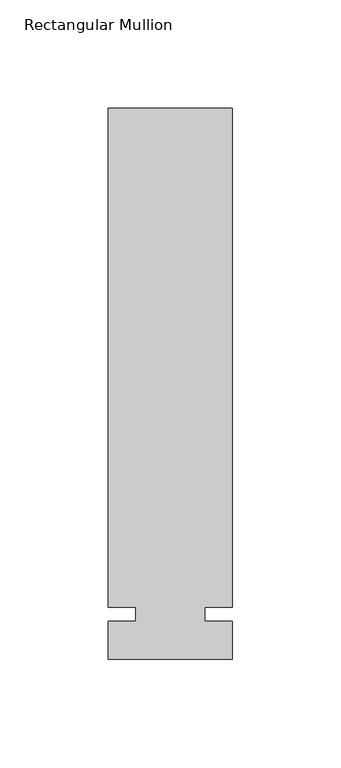
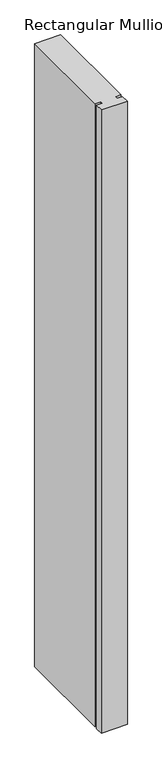
"""IFC4 building model written with IfcOpenShell, lengths in millimetres: member geometry, Rectangular Mullion."""

import ifcopenshell
import ifcopenshell.guid

model = None  # the IFC model being written
_history = None  # IfcOwnerHistory: only IFC2X3 demands one
_inside = {}  # id of a spatial element -> (the spatial element, [elements in it])
_under = {}  # id of a project, library or spatial element -> (it, [spatial elements below it])
_declared = {}  # id of a project -> (the project, [libraries it declares])
_typed = {}  # id of a type object -> (the type object, [elements of that type])
_made_of = {}  # id of a material, layer set ... -> (it, [elements and type objects made of it])


def new_model(schema):
    """Start an empty IFC model of exactly this schema.

    Asked for "IFC4X3", IfcOpenShell would pick the latest addendum, in which some entities
    have other attributes; the version numbers below select the first issue.
    IFC2X3 requires an IfcOwnerHistory on every rooted entity: one is made here for all.
    """
    global model, _history
    if schema == "IFC4X3":
        model = ifcopenshell.file(schema_version=(4, 3, 0, 0))
    else:
        model = ifcopenshell.file(schema=schema)
    _inside.clear()
    _under.clear()
    _declared.clear()
    _typed.clear()
    _made_of.clear()
    _history = None
    if model.schema == "IFC2X3":
        org = make("IfcOrganization", Name="unknown")
        user = make(
            "IfcPersonAndOrganization",
            ThePerson=make("IfcPerson", FamilyName="unknown"),
            TheOrganization=org,
        )
        app = make(
            "IfcApplication",
            ApplicationDeveloper=org,
            Version="unknown",
            ApplicationFullName="unknown",
            ApplicationIdentifier="unknown",
        )
        _history = make(
            "IfcOwnerHistory",
            OwningUser=user,
            OwningApplication=app,
            ChangeAction="ADDED",
            CreationDate=0,
        )
    return model


def make(cls, **values):
    """One entity of the class cls with the attributes given. An attribute that is None is left unset."""
    return model.create_entity(
        cls, **{name: value for name, value in values.items() if value is not None}
    )


def rooted(cls, **values):
    """An entity with a GlobalId (a new one), such as an element, a storey or a relation."""
    return make(cls, GlobalId=ifcopenshell.guid.new(), OwnerHistory=_history, **values)


def si_unit(unit_type, name, prefix=None):
    """IfcSIUnit, for example si_unit("LENGTHUNIT", "METRE", prefix="MILLI")."""
    return make("IfcSIUnit", UnitType=unit_type, Prefix=prefix, Name=name)


def assignment(units):
    """IfcUnitAssignment: the units of a project."""
    return None if units is None else make("IfcUnitAssignment", Units=units)


def point(xyz):
    """IfcCartesianPoint."""
    return None if xyz is None else make("IfcCartesianPoint", Coordinates=xyz)


def direction(xyz):
    """IfcDirection."""
    return None if xyz is None else make("IfcDirection", DirectionRatios=xyz)


def frame(location, z_axis=None, x_axis=None):
    """IfcAxis2Placement3D, a coordinate frame: its origin and axes. An axis left out is left unset."""
    return make(
        "IfcAxis2Placement3D",
        Location=point(location),
        Axis=direction(z_axis),
        RefDirection=direction(x_axis),
    )


def origin():
    """The frame at (0, 0, 0) with its axes left unset."""
    return frame((0.0, 0.0, 0.0))


def place(relative_to, where):
    """IfcLocalPlacement: puts the frame where relative to a parent placement (None: the world)."""
    return make(
        "IfcLocalPlacement", PlacementRelTo=relative_to, RelativePlacement=where
    )


def context(
    kind, dimensions, precision=None, world=None, true_north=None, identifier=None
):
    """IfcGeometricRepresentationContext, for example the 3D "Model" context."""
    return make(
        "IfcGeometricRepresentationContext",
        ContextIdentifier=identifier,
        ContextType=kind,
        CoordinateSpaceDimension=dimensions,
        Precision=precision,
        WorldCoordinateSystem=world,
        TrueNorth=true_north,
    )


def project(units=None, contexts=None):
    """IfcProject with its units and contexts."""
    return rooted(
        "IfcProject",
        Name="project",
        RepresentationContexts=contexts,
        UnitsInContext=assignment(units),
    )


def spatial(cls, under=None, at=None, **own):
    """A site, building, storey or space (cls), placed at a placement, below another one or the project."""
    s = rooted(cls, ObjectPlacement=at, **own)
    if under is not None:
        _under.setdefault(under.id(), (under, []))[1].append(s)
    return s


def polyline(points):
    """IfcPolyline through the points."""
    return make("IfcPolyline", Points=[point(p) for p in points])


def outline(outer, holes=None, kind="AREA"):
    """IfcArbitraryClosedProfileDef: a profile drawn as a closed curve; with holes, ...WithVoids."""
    if holes is None:
        return make("IfcArbitraryClosedProfileDef", ProfileType=kind, OuterCurve=outer)
    return make(
        "IfcArbitraryProfileDefWithVoids",
        ProfileType=kind,
        OuterCurve=outer,
        InnerCurves=holes,
    )


def extrude(swept, where, along, depth):
    """IfcExtrudedAreaSolid: the profile swept, set in the frame where, extruded along a direction by depth."""
    return make(
        "IfcExtrudedAreaSolid",
        SweptArea=swept,
        Position=where,
        ExtrudedDirection=direction(along),
        Depth=depth,
    )


def shape(context_of_items, identifier, shape_type, items):
    """IfcShapeRepresentation: the items that make up one representation, for example the "Body"."""
    return make(
        "IfcShapeRepresentation",
        ContextOfItems=context_of_items,
        RepresentationIdentifier=identifier,
        RepresentationType=shape_type,
        Items=items,
    )


def source(mapping_origin, context_of_items, identifier, shape_type, items):
    """IfcRepresentationMap: a shape defined once, which mapped items show again and again."""
    return make(
        "IfcRepresentationMap",
        MappingOrigin=mapping_origin,
        MappedRepresentation=shape(context_of_items, identifier, shape_type, items),
    )


def transform(
    local_origin,
    x_axis=None,
    y_axis=None,
    z_axis=None,
    scale=None,
    scale2=None,
    scale3=None,
    uniform=True,
):
    """IfcCartesianTransformationOperator3D, or its non-uniform kind. x_axis, y_axis, z_axis: its Axis1, 2, 3."""
    if uniform:
        return make(
            "IfcCartesianTransformationOperator3D",
            Axis1=direction(x_axis),
            Axis2=direction(y_axis),
            LocalOrigin=point(local_origin),
            Scale=scale,
            Axis3=direction(z_axis),
        )
    return make(
        "IfcCartesianTransformationOperator3DnonUniform",
        Axis1=direction(x_axis),
        Axis2=direction(y_axis),
        LocalOrigin=point(local_origin),
        Scale=scale,
        Axis3=direction(z_axis),
        Scale2=scale2,
        Scale3=scale3,
    )


def mapped(mapping_source, mapping_target):
    """IfcMappedItem: shows the shape of a source again, moved by a transform."""
    return make(
        "IfcMappedItem", MappingSource=mapping_source, MappingTarget=mapping_target
    )


def made_of(thing, what):
    """Note that an element or type object is made of a material, layer set ...; save() writes the relation."""
    if what is not None:
        _made_of.setdefault(what.id(), (what, []))[1].append(thing)
    return thing


def element(
    cls,
    number,
    at=None,
    inside=None,
    cuts=None,
    type_object=None,
    material=None,
    context=None,
    identifier="Body",
    shape_type=None,
    held_by="IfcProductDefinitionShape",
    body=None,
    shapes=None,
    **own,
):
    """One element of the class cls, such as IfcWall. Its Tag is "e" and its number.

    at: its placement. inside: the storey or other place that contains it. cuts: it is an
    opening in that element (IfcRelVoidsElement). A single representation is given by context,
    identifier, shape_type and body (its items); several are given by shapes. held_by: the class
    of the entity that holds the representations. save() writes the other relations.
    """
    e = rooted(cls, Tag="e%d" % number, ObjectPlacement=at, **own)
    if body is not None:
        shapes = [shape(context, identifier, shape_type, body)]
    if shapes is not None:
        e.Representation = make(held_by, Representations=shapes)
    if inside is not None:
        _inside.setdefault(inside.id(), (inside, []))[1].append(e)
    if cuts is not None:
        rooted(
            "IfcRelVoidsElement", RelatingBuildingElement=cuts, RelatedOpeningElement=e
        )
    if type_object is not None:
        _typed.setdefault(type_object.id(), (type_object, []))[1].append(e)
    return made_of(e, material)


def aggregate(whole, parts):
    """IfcRelAggregates: a whole, such as a stair, and the parts it consists of."""
    return rooted("IfcRelAggregates", RelatingObject=whole, RelatedObjects=parts)


def save(model, path):
    """Write the relations noted so far, then the file.

    IfcRelAggregates (storeys below a building ...), IfcRelContainedInSpatialStructure (elements
    in a storey), IfcRelDefinesByType, IfcRelAssociatesMaterial and IfcRelDeclares: one each for
    every whole, place, type object, material and project.
    """
    for whole, parts in _under.values():
        aggregate(whole, parts)
    for where, things in _inside.values():
        rooted(
            "IfcRelContainedInSpatialStructure",
            RelatedElements=things,
            RelatingStructure=where,
        )
    for kind, things in _typed.values():
        rooted("IfcRelDefinesByType", RelatedObjects=things, RelatingType=kind)
    for what, things in _made_of.values():
        rooted("IfcRelAssociatesMaterial", RelatedObjects=things, RelatingMaterial=what)
    for by, libraries in _declared.values():
        rooted("IfcRelDeclares", RelatingContext=by, RelatedDefinitions=libraries)
    model.write(path)


def rectangular_mullion_39496231(model_context):
    return source(origin(), model_context, "Body", "SweptSolid", [
        extrude(outline(polyline([(32.9094027, 233.3625), (32.9094027, 3.175), (20.2076322, 3.175), (20.2076322, -3.175), (32.9094027, -3.175), (32.9094027, -20.6375), (-24.2405973, -20.6375), (-24.2405973, -3.175), (-11.5405973, -3.175), (-11.5405973, 3.175), (-24.2405973, 3.175), (-24.2405973, 233.3625), (32.9094027, 233.3625)])), frame((0.0, 0.0, -1449.9166667), z_axis=(0.0, 0.0, 1.0), x_axis=(1.0, 0.0, 0.0)), (0.0, 0.0, 1.0), 1449.9166667),
    ])


if __name__ == "__main__":
    model = new_model("IFC4")
    model_context = context("Model", 3, world=origin())
    ifc_project = project(units=[si_unit("LENGTHUNIT", "METRE", prefix="MILLI")], contexts=[model_context])
    site = spatial("IfcSite", under=ifc_project)
    building = spatial("IfcBuilding", under=site)
    placement = place(None, origin())
    rectangular_mullion_shape = rectangular_mullion_39496231(model_context)
    element("IfcMember", 1, ObjectType="Rectangular Mullion", at=placement, inside=building, context=model_context, shape_type="MappedRepresentation", body=[
        mapped(rectangular_mullion_shape, transform((0.0, 0.0, 0.0), x_axis=(1.0, 0.0, 0.0), y_axis=(0.0, 1.0, 0.0), z_axis=(0.0, 0.0, 1.0))),
    ])
    save(model, "model.ifc")
